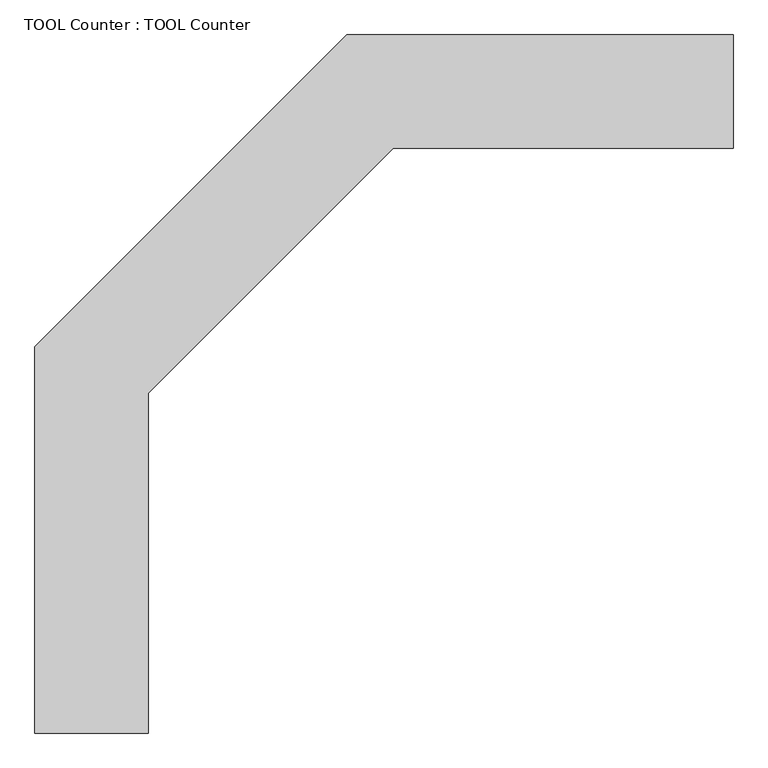
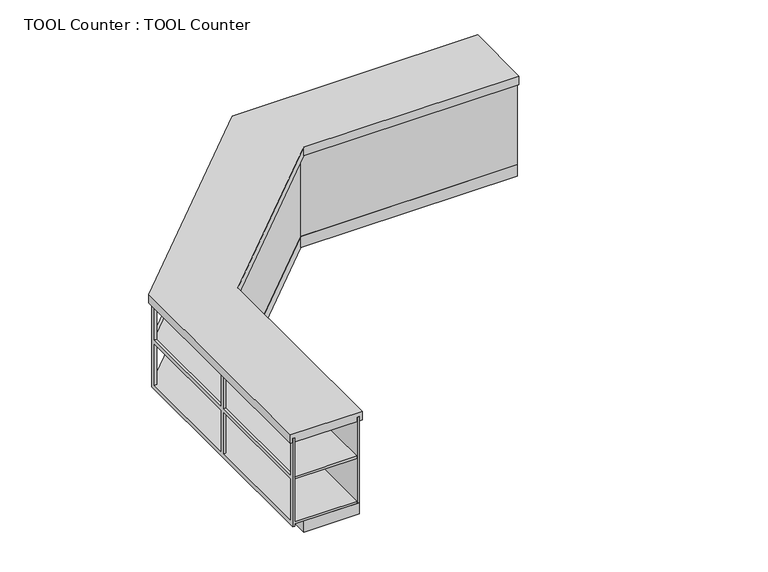
"""IFC4 building model written with IfcOpenShell, lengths in millimetres: proxy geometry, TOOL Counter : TOOL Counter."""

import ifcopenshell
import ifcopenshell.guid

model = None  # the IFC model being written
_history = None  # IfcOwnerHistory: only IFC2X3 demands one
_inside = {}  # id of a spatial element -> (the spatial element, [elements in it])
_under = {}  # id of a project, library or spatial element -> (it, [spatial elements below it])
_declared = {}  # id of a project -> (the project, [libraries it declares])
_typed = {}  # id of a type object -> (the type object, [elements of that type])
_made_of = {}  # id of a material, layer set ... -> (it, [elements and type objects made of it])


def new_model(schema):
    """Start an empty IFC model of exactly this schema.

    Asked for "IFC4X3", IfcOpenShell would pick the latest addendum, in which some entities
    have other attributes; the version numbers below select the first issue.
    IFC2X3 requires an IfcOwnerHistory on every rooted entity: one is made here for all.
    """
    global model, _history
    if schema == "IFC4X3":
        model = ifcopenshell.file(schema_version=(4, 3, 0, 0))
    else:
        model = ifcopenshell.file(schema=schema)
    _inside.clear()
    _under.clear()
    _declared.clear()
    _typed.clear()
    _made_of.clear()
    _history = None
    if model.schema == "IFC2X3":
        org = make("IfcOrganization", Name="unknown")
        user = make(
            "IfcPersonAndOrganization",
            ThePerson=make("IfcPerson", FamilyName="unknown"),
            TheOrganization=org,
        )
        app = make(
            "IfcApplication",
            ApplicationDeveloper=org,
            Version="unknown",
            ApplicationFullName="unknown",
            ApplicationIdentifier="unknown",
        )
        _history = make(
            "IfcOwnerHistory",
            OwningUser=user,
            OwningApplication=app,
            ChangeAction="ADDED",
            CreationDate=0,
        )
    return model


def make(cls, **values):
    """One entity of the class cls with the attributes given. An attribute that is None is left unset."""
    return model.create_entity(
        cls, **{name: value for name, value in values.items() if value is not None}
    )


def rooted(cls, **values):
    """An entity with a GlobalId (a new one), such as an element, a storey or a relation."""
    return make(cls, GlobalId=ifcopenshell.guid.new(), OwnerHistory=_history, **values)


def si_unit(unit_type, name, prefix=None):
    """IfcSIUnit, for example si_unit("LENGTHUNIT", "METRE", prefix="MILLI")."""
    return make("IfcSIUnit", UnitType=unit_type, Prefix=prefix, Name=name)


def assignment(units):
    """IfcUnitAssignment: the units of a project."""
    return None if units is None else make("IfcUnitAssignment", Units=units)


def point(xyz):
    """IfcCartesianPoint."""
    return None if xyz is None else make("IfcCartesianPoint", Coordinates=xyz)


def direction(xyz):
    """IfcDirection."""
    return None if xyz is None else make("IfcDirection", DirectionRatios=xyz)


def frame(location, z_axis=None, x_axis=None):
    """IfcAxis2Placement3D, a coordinate frame: its origin and axes. An axis left out is left unset."""
    return make(
        "IfcAxis2Placement3D",
        Location=point(location),
        Axis=direction(z_axis),
        RefDirection=direction(x_axis),
    )


def origin():
    """The frame at (0, 0, 0) with its axes left unset."""
    return frame((0.0, 0.0, 0.0))


def origin_with_axes():
    """The frame at (0, 0, 0) with the z axis (0, 0, 1) and the x axis (1, 0, 0) written out."""
    return frame((0.0, 0.0, 0.0), z_axis=(0.0, 0.0, 1.0), x_axis=(1.0, 0.0, 0.0))


def place(relative_to, where):
    """IfcLocalPlacement: puts the frame where relative to a parent placement (None: the world)."""
    return make(
        "IfcLocalPlacement", PlacementRelTo=relative_to, RelativePlacement=where
    )


def context(
    kind, dimensions, precision=None, world=None, true_north=None, identifier=None
):
    """IfcGeometricRepresentationContext, for example the 3D "Model" context."""
    return make(
        "IfcGeometricRepresentationContext",
        ContextIdentifier=identifier,
        ContextType=kind,
        CoordinateSpaceDimension=dimensions,
        Precision=precision,
        WorldCoordinateSystem=world,
        TrueNorth=true_north,
    )


def project(units=None, contexts=None):
    """IfcProject with its units and contexts."""
    return rooted(
        "IfcProject",
        Name="project",
        RepresentationContexts=contexts,
        UnitsInContext=assignment(units),
    )


def spatial(cls, under=None, at=None, **own):
    """A site, building, storey or space (cls), placed at a placement, below another one or the project."""
    s = rooted(cls, ObjectPlacement=at, **own)
    if under is not None:
        _under.setdefault(under.id(), (under, []))[1].append(s)
    return s


def polyline(points):
    """IfcPolyline through the points."""
    return make("IfcPolyline", Points=[point(p) for p in points])


def outline(outer, holes=None, kind="AREA"):
    """IfcArbitraryClosedProfileDef: a profile drawn as a closed curve; with holes, ...WithVoids."""
    if holes is None:
        return make("IfcArbitraryClosedProfileDef", ProfileType=kind, OuterCurve=outer)
    return make(
        "IfcArbitraryProfileDefWithVoids",
        ProfileType=kind,
        OuterCurve=outer,
        InnerCurves=holes,
    )


def extrude(swept, where, along, depth):
    """IfcExtrudedAreaSolid: the profile swept, set in the frame where, extruded along a direction by depth."""
    return make(
        "IfcExtrudedAreaSolid",
        SweptArea=swept,
        Position=where,
        ExtrudedDirection=direction(along),
        Depth=depth,
    )


def faces_of(points, faces, orient=None, outer=None):
    """IfcFace entities. A face is a list of loops; a loop is a list of indices into points, from 0.

    orient and outer hold one flag for each loop. By default every Orientation is true, the
    first loop of a face is its IfcFaceOuterBound and the others are IfcFaceBound.
    """
    made = []
    for i, loops in enumerate(faces):
        bounds = []
        for j, loop in enumerate(loops):
            is_outer = j == 0 if outer is None else outer[i][j]
            bounds.append(
                make(
                    "IfcFaceOuterBound" if is_outer else "IfcFaceBound",
                    Bound=make("IfcPolyLoop", Polygon=[points[k] for k in loop]),
                    Orientation=True if orient is None else orient[i][j],
                )
            )
        made.append(make("IfcFace", Bounds=bounds))
    return made


def faceted_brep(points, faces, orient=None, outer=None, voids=None):
    """IfcFacetedBrep: a solid bounded by flat faces; with voids (closed shells), ...WithVoids."""
    shared = [point(p) for p in points]
    hull = make("IfcClosedShell", CfsFaces=faces_of(shared, faces, orient, outer))
    if voids is None:
        return make("IfcFacetedBrep", Outer=hull)
    return make(
        "IfcFacetedBrepWithVoids",
        Outer=hull,
        Voids=[
            make(cls, CfsFaces=faces_of(shared, fs, o, b)) for cls, fs, o, b in voids
        ],
    )


def shape(context_of_items, identifier, shape_type, items):
    """IfcShapeRepresentation: the items that make up one representation, for example the "Body"."""
    return make(
        "IfcShapeRepresentation",
        ContextOfItems=context_of_items,
        RepresentationIdentifier=identifier,
        RepresentationType=shape_type,
        Items=items,
    )


def source(mapping_origin, context_of_items, identifier, shape_type, items):
    """IfcRepresentationMap: a shape defined once, which mapped items show again and again."""
    return make(
        "IfcRepresentationMap",
        MappingOrigin=mapping_origin,
        MappedRepresentation=shape(context_of_items, identifier, shape_type, items),
    )


def transform(
    local_origin,
    x_axis=None,
    y_axis=None,
    z_axis=None,
    scale=None,
    scale2=None,
    scale3=None,
    uniform=True,
):
    """IfcCartesianTransformationOperator3D, or its non-uniform kind. x_axis, y_axis, z_axis: its Axis1, 2, 3."""
    if uniform:
        return make(
            "IfcCartesianTransformationOperator3D",
            Axis1=direction(x_axis),
            Axis2=direction(y_axis),
            LocalOrigin=point(local_origin),
            Scale=scale,
            Axis3=direction(z_axis),
        )
    return make(
        "IfcCartesianTransformationOperator3DnonUniform",
        Axis1=direction(x_axis),
        Axis2=direction(y_axis),
        LocalOrigin=point(local_origin),
        Scale=scale,
        Axis3=direction(z_axis),
        Scale2=scale2,
        Scale3=scale3,
    )


def mapped(mapping_source, mapping_target):
    """IfcMappedItem: shows the shape of a source again, moved by a transform."""
    return make(
        "IfcMappedItem", MappingSource=mapping_source, MappingTarget=mapping_target
    )


def made_of(thing, what):
    """Note that an element or type object is made of a material, layer set ...; save() writes the relation."""
    if what is not None:
        _made_of.setdefault(what.id(), (what, []))[1].append(thing)
    return thing


def element(
    cls,
    number,
    at=None,
    inside=None,
    cuts=None,
    type_object=None,
    material=None,
    context=None,
    identifier="Body",
    shape_type=None,
    held_by="IfcProductDefinitionShape",
    body=None,
    shapes=None,
    **own,
):
    """One element of the class cls, such as IfcWall. Its Tag is "e" and its number.

    at: its placement. inside: the storey or other place that contains it. cuts: it is an
    opening in that element (IfcRelVoidsElement). A single representation is given by context,
    identifier, shape_type and body (its items); several are given by shapes. held_by: the class
    of the entity that holds the representations. save() writes the other relations.
    """
    e = rooted(cls, Tag="e%d" % number, ObjectPlacement=at, **own)
    if body is not None:
        shapes = [shape(context, identifier, shape_type, body)]
    if shapes is not None:
        e.Representation = make(held_by, Representations=shapes)
    if inside is not None:
        _inside.setdefault(inside.id(), (inside, []))[1].append(e)
    if cuts is not None:
        rooted(
            "IfcRelVoidsElement", RelatingBuildingElement=cuts, RelatedOpeningElement=e
        )
    if type_object is not None:
        _typed.setdefault(type_object.id(), (type_object, []))[1].append(e)
    return made_of(e, material)


def aggregate(whole, parts):
    """IfcRelAggregates: a whole, such as a stair, and the parts it consists of."""
    return rooted("IfcRelAggregates", RelatingObject=whole, RelatedObjects=parts)


def save(model, path):
    """Write the relations noted so far, then the file.

    IfcRelAggregates (storeys below a building ...), IfcRelContainedInSpatialStructure (elements
    in a storey), IfcRelDefinesByType, IfcRelAssociatesMaterial and IfcRelDeclares: one each for
    every whole, place, type object, material and project.
    """
    for whole, parts in _under.values():
        aggregate(whole, parts)
    for where, things in _inside.values():
        rooted(
            "IfcRelContainedInSpatialStructure",
            RelatedElements=things,
            RelatingStructure=where,
        )
    for kind, things in _typed.values():
        rooted("IfcRelDefinesByType", RelatedObjects=things, RelatingType=kind)
    for what, things in _made_of.values():
        rooted("IfcRelAssociatesMaterial", RelatedObjects=things, RelatingMaterial=what)
    for by, libraries in _declared.values():
        rooted("IfcRelDeclares", RelatingContext=by, RelatedDefinitions=libraries)
    model.write(path)


def tool_counter_tool_counter_c5f0d0ff(model_context):
    return source(origin(), model_context, "Body", "SolidModel", [
        faceted_brep([(-1911.35, -3149.6, 876.3), (-1892.3, -3149.6, 876.3), (-1892.3, -1084.0769491, 876.3), (-236.7230509, 571.5, 876.3), (1828.8, 571.5, 876.3), (1828.8, 590.55, 876.3), (-244.6138193, 590.55, 876.3), (-1911.35, -1076.1861807, 876.3), (-1892.3, -3111.5, 527.05), (-1911.35, -3111.5, 527.05), (-1911.35, -3111.5, 838.2), (-1892.3, -3111.5, 838.2), (-1911.35, -3111.5, 488.95), (-1892.3, -3111.5, 488.95), (-1892.3, -3111.5, 120.65), (-1911.35, -3111.5, 120.65), (-1911.35, -1076.1861807, 82.55), (-1911.35, -3149.6, 82.55), (-1911.35, -2131.9430904, 527.05), (-1911.35, -2131.9430904, 838.2), (-1911.35, -2131.9430904, 488.95), (-1911.35, -2131.9430904, 120.65), (-1911.35, -2093.8430904, 527.05), (-1911.35, -1114.2861807, 527.05), (-1911.35, -1114.2861807, 838.2), (-1911.35, -2093.8430904, 838.2), (-1911.35, -1114.2861807, 488.95), (-1911.35, -2093.8430904, 488.95), (-1911.35, -2093.8430904, 120.65), (-1911.35, -1114.2861807, 120.65), (-1892.3, -3149.6, 82.55), (-1892.3, -3149.6, 101.6), (-1365.25, -3149.6, 101.6), (-1365.25, -3149.6, 120.65), (-1892.3, -3149.6, 120.65), (-1892.3, -2131.9430904, 488.95), (-1892.3, -2131.9430904, 120.65), (-1892.3, -2093.8430904, 120.65), (-1892.3, -2093.8430904, 488.95), (-1892.3, -1114.2861807, 488.95), (-1892.3, -1114.2861807, 120.65), (-1892.3, -1084.0769491, 120.65), (-1892.3, -2131.9430904, 527.05), (-1892.3, -2131.9430904, 838.2), (-1892.3, -1114.2861807, 527.05), (-1892.3, -2093.8430904, 527.05), (-1892.3, -2093.8430904, 838.2), (-1892.3, -1114.2861807, 838.2), (-1892.3, -1084.0769491, 82.55), (-1892.3, -1084.0769491, 101.6), (-1870.9388475, -1062.7157966, 488.95), (-1077.9819096, -269.7588587, 488.95), (-1077.9819096, -269.7588587, 120.65), (-1051.0411413, -242.8180904, 120.65), (-1051.0411413, -242.8180904, 488.95), (-258.0842034, 550.1388475, 488.95), (-258.0842034, 550.1388475, 120.65), (-236.7230509, 571.5, 120.65), (-1870.9388475, -1062.7157966, 120.65), (-1077.9819096, -269.7588587, 527.05), (-1870.9388475, -1062.7157966, 527.05), (-1870.9388475, -1062.7157966, 838.2), (-1077.9819096, -269.7588587, 838.2), (-258.0842034, 550.1388475, 527.05), (-1051.0411413, -242.8180904, 527.05), (-1051.0411413, -242.8180904, 838.2), (-258.0842034, 550.1388475, 838.2), (-236.7230509, 571.5, 82.55), (-236.7230509, 571.5, 101.6), (-1884.4092316, -1049.2454124, 527.05), (-1884.4092316, -1049.2454124, 838.2), (-1884.4092316, -1049.2454124, 488.95), (-1884.4092316, -1049.2454124, 120.65), (-244.6138193, 590.55, 82.55), (-1091.4522938, -256.2884746, 527.05), (-1091.4522938, -256.2884746, 838.2), (-1091.4522938, -256.2884746, 488.95), (-1091.4522938, -256.2884746, 120.65), (-1064.5115254, -229.3477062, 527.05), (-271.5545876, 563.6092316, 527.05), (-271.5545876, 563.6092316, 838.2), (-1064.5115254, -229.3477062, 838.2), (-271.5545876, 563.6092316, 488.95), (-1064.5115254, -229.3477062, 488.95), (-1064.5115254, -229.3477062, 120.65), (-271.5545876, 563.6092316, 120.65), (1828.8, 590.55, 82.55), (811.1430904, 590.55, 527.05), (1790.7, 590.55, 527.05), (1790.7, 590.55, 838.2), (811.1430904, 590.55, 838.2), (1790.7, 590.55, 488.95), (811.1430904, 590.55, 488.95), (811.1430904, 590.55, 120.65), (1790.7, 590.55, 120.65), (-206.5138193, 590.55, 527.05), (773.0430904, 590.55, 527.05), (773.0430904, 590.55, 838.2), (-206.5138193, 590.55, 838.2), (773.0430904, 590.55, 488.95), (-206.5138193, 590.55, 488.95), (-206.5138193, 590.55, 120.65), (773.0430904, 590.55, 120.65), (-206.5138193, 571.5, 488.95), (773.0430904, 571.5, 488.95), (773.0430904, 571.5, 120.65), (811.1430904, 571.5, 120.65), (811.1430904, 571.5, 488.95), (1790.7, 571.5, 488.95), (1790.7, 571.5, 120.65), (1828.8, 571.5, 120.65), (-206.5138193, 571.5, 120.65), (773.0430904, 571.5, 527.05), (-206.5138193, 571.5, 527.05), (-206.5138193, 571.5, 838.2), (773.0430904, 571.5, 838.2), (1790.7, 571.5, 527.05), (811.1430904, 571.5, 527.05), (811.1430904, 571.5, 838.2), (1790.7, 571.5, 838.2), (1828.8, 571.5, 82.55), (1828.8, 571.5, 101.6), (1828.8, 44.45, 120.65), (1828.8, 44.45, 101.6), (-1365.25, -1302.3882072, 120.65), (-18.4117928, 44.45, 120.65), (-18.4117928, 44.45, 101.6), (-1365.25, -1302.3882072, 101.6)], [[[0, 1, 2, 3, 4, 5, 6, 7]], [[8, 9, 10, 11]], [[12, 13, 14, 15]], [[16, 17, 0, 7], [9, 18, 19, 10], [20, 12, 15, 21], [22, 23, 24, 25], [26, 27, 28, 29]], [[1, 0, 17, 30, 31, 32, 33, 34]], [[13, 35, 36, 37, 38, 39, 40, 41, 2, 1, 34, 14], [42, 8, 11, 43], [44, 45, 46, 47]], [[30, 48, 49, 31]], [[23, 44, 47, 24]], [[39, 26, 29, 40]], [[50, 51, 52, 53, 54, 55, 56, 57, 3, 2, 41, 58], [59, 60, 61, 62], [63, 64, 65, 66]], [[48, 67, 68, 49]], [[60, 69, 70, 61]], [[71, 50, 58, 72]], [[73, 16, 7, 6], [69, 74, 75, 70], [76, 71, 72, 77], [78, 79, 80, 81], [82, 83, 84, 85]], [[18, 42, 43, 19]], [[35, 20, 21, 36]], [[45, 22, 25, 46]], [[27, 38, 37, 28]], [[86, 73, 6, 5], [87, 88, 89, 90], [91, 92, 93, 94], [95, 96, 97, 98], [99, 100, 101, 102]], [[79, 63, 66, 80]], [[55, 82, 85, 56]], [[103, 104, 105, 106, 107, 108, 109, 110, 4, 3, 57, 111], [112, 113, 114, 115], [116, 117, 118, 119]], [[67, 120, 121, 68]], [[113, 95, 98, 114]], [[100, 103, 111, 101]], [[5, 4, 110, 122, 123, 121, 120, 86]], [[88, 116, 119, 89]], [[108, 91, 94, 109]], [[96, 112, 115, 97]], [[104, 99, 102, 105]], [[117, 87, 90, 118]], [[92, 107, 106, 93]], [[74, 59, 62, 75]], [[51, 76, 77, 52]], [[64, 78, 81, 65]], [[83, 54, 53, 84]], [[18, 9, 8, 42]], [[45, 44, 23, 22]], [[64, 63, 79, 78]], [[74, 69, 60, 59]], [[88, 87, 117, 116]], [[96, 95, 113, 112]], [[12, 20, 35, 13]], [[39, 38, 27, 26]], [[55, 54, 83, 82]], [[71, 76, 51, 50]], [[92, 91, 108, 107]], [[100, 99, 104, 103]], [[29, 28, 37, 36, 21, 15, 14, 34, 33, 124, 125, 122, 110, 109, 94, 93, 106, 105, 102, 101, 111, 57, 56, 85, 84, 53, 52, 77, 72, 58, 41, 40]], [[16, 73, 86, 120, 67, 48, 30, 17]], [[25, 24, 47, 46]], [[43, 11, 10, 19]], [[62, 61, 70, 75]], [[81, 80, 66, 65]], [[90, 89, 119, 118]], [[115, 114, 98, 97]], [[121, 123, 126, 127, 32, 31, 49, 68]], [[124, 33, 32, 127]], [[125, 124, 127, 126]], [[122, 125, 126, 123]]]),
        extrude(outline(polyline([(-1346.2, -3149.6), (-1816.1, -3149.6), (-1816.1, -1115.6400226), (-205.1599774, 495.3), (1828.8, 495.3), (1828.8, 25.4), (-10.5210245, 25.4), (-1346.2, -1310.2789755), (-1346.2, -3149.6)])), origin_with_axes(), (0.0, 0.0, 1.0), 101.6),
        extrude(outline(polyline([(-1892.3, -3149.6), (-1892.3, -1084.0769491), (-236.7230509, 571.5), (1828.8, 571.5), (1828.8, 44.45), (-18.4117928, 44.45), (-1365.25, -1302.3882072), (-1365.25, -3149.6), (-1892.3, -3149.6)])), frame((0.0, 0.0, 508.0), z_axis=(0.0, 0.0, 1.0), x_axis=(1.0, 0.0, 0.0)), (0.0, 0.0, 1.0), 19.05),
        extrude(outline(polyline([(-1346.2, -1310.2789755), (-1346.2, -3149.6), (-1365.25, -3149.6), (-1365.25, -1302.3882072), (-18.4117928, 44.45), (1828.8, 44.45), (1828.8, 25.4), (-10.5210245, 25.4), (-1346.2, -1310.2789755)])), frame((0.0, 0.0, 101.6), z_axis=(0.0, 0.0, 1.0), x_axis=(1.0, 0.0, 0.0)), (0.0, 0.0, 1.0), 774.7),
        extrude(outline(polyline([(1828.8, 0.0), (0.0, 0.0), (-1320.8, -1320.8), (-1320.8, -3149.6), (-1930.4, -3149.6), (-1930.4, -1068.2954124), (-252.5045876, 609.6), (1828.8, 609.6), (1828.8, 0.0)])), frame((0.0, 0.0, 838.2), z_axis=(0.0, 0.0, 1.0), x_axis=(1.0, 0.0, 0.0)), (0.0, 0.0, 1.0), 76.2),
    ])


if __name__ == "__main__":
    model = new_model("IFC4")
    model_context = context("Model", 3, world=origin())
    ifc_project = project(units=[si_unit("LENGTHUNIT", "METRE", prefix="MILLI")], contexts=[model_context])
    site = spatial("IfcSite", under=ifc_project)
    building = spatial("IfcBuilding", under=site)
    placement = place(None, origin())
    tool_counter_tool_counter_shape = tool_counter_tool_counter_c5f0d0ff(model_context)
    element("IfcBuildingElementProxy", 1, Name="TOOL Counter : TOOL Counter", ObjectType="TOOL Counter : TOOL Counter", at=placement, inside=building, context=model_context, shape_type="MappedRepresentation", body=[
        mapped(tool_counter_tool_counter_shape, transform((0.0, 0.0, 0.0), x_axis=(1.0, 0.0, 0.0), y_axis=(0.0, 1.0, 0.0), z_axis=(0.0, 0.0, 1.0))),
    ])
    save(model, "model.ifc")
